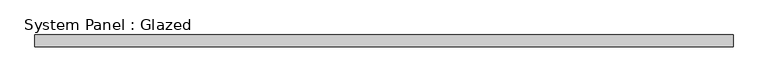
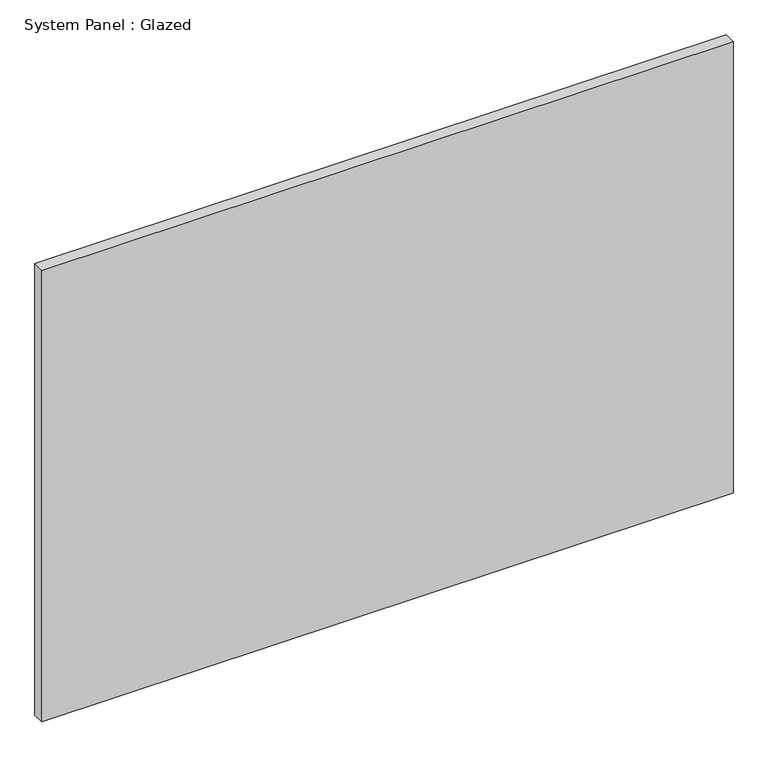
"""IFC4 building model written with IfcOpenShell, lengths in millimetres: plate geometry, System Panel : Glazed."""

from ifc_helpers import new_model, si_unit, origin, origin_with_axes, place, context, project, spatial, polyline, outline, extrude, source, transform, mapped, element, save


def system_panel_glazed_d68ff57e(model_context):
    return source(origin(), model_context, "Body", "SweptSolid", [
        extrude(outline(polyline([(731.7501169, 24.5), (-731.7501169, 24.5), (-731.7501169, 49.5), (731.7501169, 49.5), (731.7501169, 24.5)])), origin_with_axes(), (0.0, 0.0, 1.0), 1010.85),
    ])


if __name__ == "__main__":
    model = new_model("IFC4")
    model_context = context("Model", 3, world=origin())
    ifc_project = project(units=[si_unit("LENGTHUNIT", "METRE", prefix="MILLI")], contexts=[model_context])
    site = spatial("IfcSite", under=ifc_project)
    building = spatial("IfcBuilding", under=site)
    placement = place(None, origin())
    system_panel_glazed_shape = system_panel_glazed_d68ff57e(model_context)
    element("IfcPlate", 1, ObjectType="System Panel : Glazed", at=placement, inside=building, context=model_context, shape_type="MappedRepresentation", body=[
        mapped(system_panel_glazed_shape, transform((0.0, 0.0, 0.0), x_axis=(1.0, 0.0, 0.0), y_axis=(0.0, 1.0, 0.0), z_axis=(0.0, 0.0, 1.0))),
    ])
    save(model, "model.ifc")
